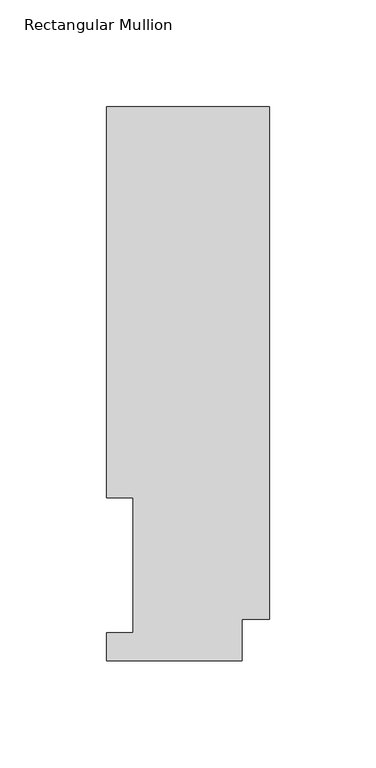
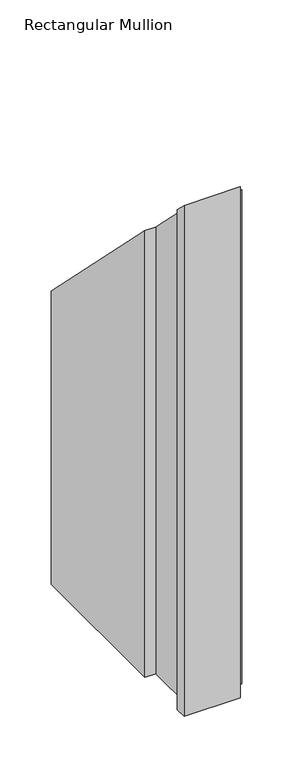
"""IFC4 building model written with IfcOpenShell, lengths in millimetres: member geometry, Rectangular Mullion."""

from ifc_helpers import new_model, si_unit, origin, place, context, project, spatial, faceted_brep, source, transform, mapped, element, save


def rectangular_mullion_d65b11dc(model_context):
    return source(origin(), model_context, "Body", "Brep", [
        faceted_brep([(0.0, 19.5088257, -609.6), (-12.7, 19.5088257, -609.6), (-12.7, -0.0333811, -609.6), (-76.2, -0.0333811, -609.6), (-76.2, 13.1492189, -609.6), (-63.8581605, 13.1492189, -609.6), (-63.8581605, 76.2992187, -609.6), (-76.2, 76.2992187, -609.6), (-76.2, 259.4586188, -609.6), (0.0, 259.4586188, -609.6), (0.0, 259.4586188, -259.4586188), (0.0, 19.5088257, -19.5088257), (-76.2, 259.4586188, -259.4586188), (-76.2, 76.2992187, -76.2992187), (-63.8581605, 76.2992187, -76.2992187), (-63.8581605, 13.1492189, -13.1492189), (-76.2, 13.1492189, -13.1492189), (-76.2, -0.0333811, 0.0333811), (-12.7, -0.0333811, 0.0333811), (-12.7, 19.5088257, -19.5088257)], [[[0, 1, 2, 3, 4, 5, 6, 7, 8, 9]], [[10, 11, 0, 9]], [[12, 10, 9, 8]], [[13, 12, 8, 7]], [[14, 13, 7, 6]], [[15, 14, 6, 5]], [[16, 15, 5, 4]], [[17, 16, 4, 3]], [[18, 17, 3, 2]], [[19, 18, 2, 1]], [[11, 19, 1, 0]], [[11, 10, 12, 13, 14, 15, 16, 17, 18, 19]]]),
    ])


if __name__ == "__main__":
    model = new_model("IFC4")
    model_context = context("Model", 3, world=origin())
    ifc_project = project(units=[si_unit("LENGTHUNIT", "METRE", prefix="MILLI")], contexts=[model_context])
    site = spatial("IfcSite", under=ifc_project)
    building = spatial("IfcBuilding", under=site)
    placement = place(None, origin())
    rectangular_mullion_shape = rectangular_mullion_d65b11dc(model_context)
    element("IfcMember", 1, ObjectType="Rectangular Mullion", at=placement, inside=building, context=model_context, shape_type="MappedRepresentation", body=[
        mapped(rectangular_mullion_shape, transform((0.0, 0.0, 0.0), x_axis=(1.0, 0.0, 0.0), y_axis=(0.0, 1.0, 0.0), z_axis=(0.0, 0.0, 1.0))),
    ])
    save(model, "model.ifc")
